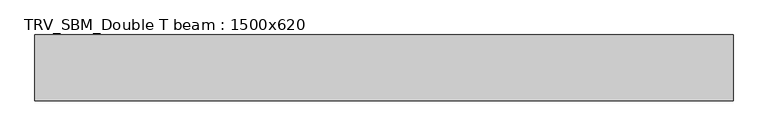
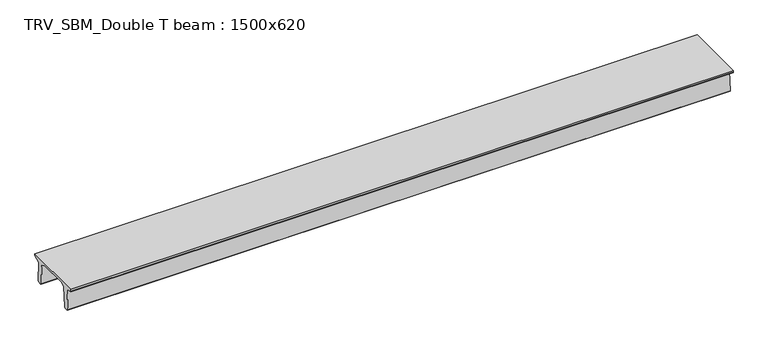
"""IFC4 building model written with IfcOpenShell, lengths in millimetres: beam geometry, TRV_SBM_Double T beam : 1500x620."""

from ifc_helpers import new_model, si_unit, frame, origin, place, context, project, spatial, polyline, outline, extrude, source, transform, mapped, element, save


def trv_sbm_double_t_beam_1500x620_446da729(model_context):
    return source(origin(), model_context, "Body", "SweptSolid", [
        extrude(outline(polyline([(-765.0, 215.0), (-765.0, 260.0), (735.0, 260.0), (735.0, 215.0), (728.2094488, 201.315559), (578.0626443, 140.6523122), (594.8277662, -339.4379646), (574.2657308, -360.0), (484.2657308, -360.0), (464.786332, -340.5206011), (447.8600761, 144.18395), (338.3237744, 210.0), (-367.4555014, 210.0), (-476.5389732, 151.9992892), (-507.0080378, -339.3850967), (-527.622941, -360.0), (-615.122941, -360.0), (-637.1143055, -338.0086356), (-606.1572167, 162.687806), (-761.3068466, 204.260024), (-765.0, 215.0)])), frame((-7966.5, 0.0, 0.0), z_axis=(1.0, 0.0, 0.0), x_axis=(0.0, 1.0, 0.0)), (0.0, 0.0, 1.0), 15933.0),
    ])


if __name__ == "__main__":
    model = new_model("IFC4")
    model_context = context("Model", 3, world=origin())
    ifc_project = project(units=[si_unit("LENGTHUNIT", "METRE", prefix="MILLI")], contexts=[model_context])
    site = spatial("IfcSite", under=ifc_project)
    building = spatial("IfcBuilding", under=site)
    placement = place(None, origin())
    trv_sbm_double_t_beam_1500x620_shape = trv_sbm_double_t_beam_1500x620_446da729(model_context)
    element("IfcBeam", 1, ObjectType="TRV_SBM_Double T beam : 1500x620", at=placement, inside=building, context=model_context, shape_type="MappedRepresentation", body=[
        mapped(trv_sbm_double_t_beam_1500x620_shape, transform((0.0, 0.0, 0.0), x_axis=(1.0, 0.0, 0.0), y_axis=(0.0, 1.0, 0.0), z_axis=(0.0, 0.0, 1.0))),
    ])
    save(model, "model.ifc")
